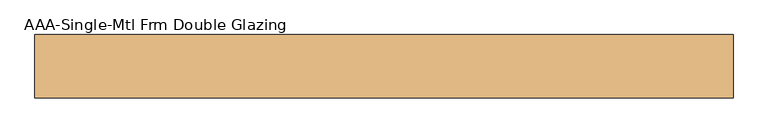
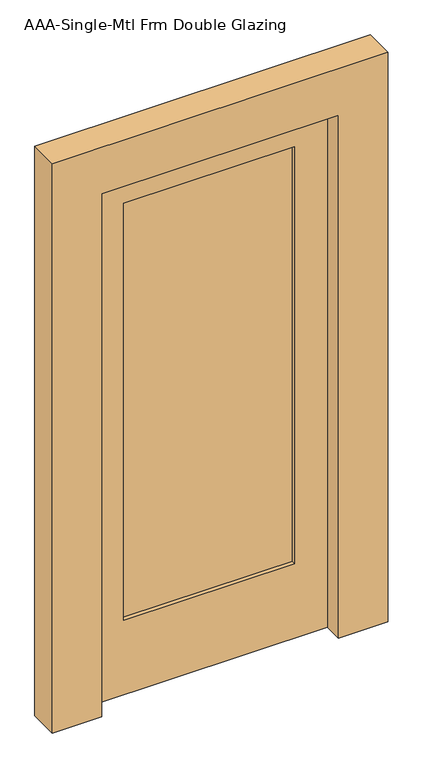
"""IFC4 building model written with IfcOpenShell, lengths in millimetres: door geometry, AAA-Single-Mtl Frm Double Glazing."""

import ifcopenshell
import ifcopenshell.guid

model = None  # the IFC model being written
_history = None  # IfcOwnerHistory: only IFC2X3 demands one
_inside = {}  # id of a spatial element -> (the spatial element, [elements in it])
_under = {}  # id of a project, library or spatial element -> (it, [spatial elements below it])
_declared = {}  # id of a project -> (the project, [libraries it declares])
_typed = {}  # id of a type object -> (the type object, [elements of that type])
_made_of = {}  # id of a material, layer set ... -> (it, [elements and type objects made of it])


def new_model(schema):
    """Start an empty IFC model of exactly this schema.

    Asked for "IFC4X3", IfcOpenShell would pick the latest addendum, in which some entities
    have other attributes; the version numbers below select the first issue.
    IFC2X3 requires an IfcOwnerHistory on every rooted entity: one is made here for all.
    """
    global model, _history
    if schema == "IFC4X3":
        model = ifcopenshell.file(schema_version=(4, 3, 0, 0))
    else:
        model = ifcopenshell.file(schema=schema)
    _inside.clear()
    _under.clear()
    _declared.clear()
    _typed.clear()
    _made_of.clear()
    _history = None
    if model.schema == "IFC2X3":
        org = make("IfcOrganization", Name="unknown")
        user = make(
            "IfcPersonAndOrganization",
            ThePerson=make("IfcPerson", FamilyName="unknown"),
            TheOrganization=org,
        )
        app = make(
            "IfcApplication",
            ApplicationDeveloper=org,
            Version="unknown",
            ApplicationFullName="unknown",
            ApplicationIdentifier="unknown",
        )
        _history = make(
            "IfcOwnerHistory",
            OwningUser=user,
            OwningApplication=app,
            ChangeAction="ADDED",
            CreationDate=0,
        )
    return model


def make(cls, **values):
    """One entity of the class cls with the attributes given. An attribute that is None is left unset."""
    return model.create_entity(
        cls, **{name: value for name, value in values.items() if value is not None}
    )


def rooted(cls, **values):
    """An entity with a GlobalId (a new one), such as an element, a storey or a relation."""
    return make(cls, GlobalId=ifcopenshell.guid.new(), OwnerHistory=_history, **values)


def si_unit(unit_type, name, prefix=None):
    """IfcSIUnit, for example si_unit("LENGTHUNIT", "METRE", prefix="MILLI")."""
    return make("IfcSIUnit", UnitType=unit_type, Prefix=prefix, Name=name)


def assignment(units):
    """IfcUnitAssignment: the units of a project."""
    return None if units is None else make("IfcUnitAssignment", Units=units)


def point(xyz):
    """IfcCartesianPoint."""
    return None if xyz is None else make("IfcCartesianPoint", Coordinates=xyz)


def direction(xyz):
    """IfcDirection."""
    return None if xyz is None else make("IfcDirection", DirectionRatios=xyz)


def frame(location, z_axis=None, x_axis=None):
    """IfcAxis2Placement3D, a coordinate frame: its origin and axes. An axis left out is left unset."""
    return make(
        "IfcAxis2Placement3D",
        Location=point(location),
        Axis=direction(z_axis),
        RefDirection=direction(x_axis),
    )


def origin():
    """The frame at (0, 0, 0) with its axes left unset."""
    return frame((0.0, 0.0, 0.0))


def place(relative_to, where):
    """IfcLocalPlacement: puts the frame where relative to a parent placement (None: the world)."""
    return make(
        "IfcLocalPlacement", PlacementRelTo=relative_to, RelativePlacement=where
    )


def context(
    kind, dimensions, precision=None, world=None, true_north=None, identifier=None
):
    """IfcGeometricRepresentationContext, for example the 3D "Model" context."""
    return make(
        "IfcGeometricRepresentationContext",
        ContextIdentifier=identifier,
        ContextType=kind,
        CoordinateSpaceDimension=dimensions,
        Precision=precision,
        WorldCoordinateSystem=world,
        TrueNorth=true_north,
    )


def project(units=None, contexts=None):
    """IfcProject with its units and contexts."""
    return rooted(
        "IfcProject",
        Name="project",
        RepresentationContexts=contexts,
        UnitsInContext=assignment(units),
    )


def spatial(cls, under=None, at=None, **own):
    """A site, building, storey or space (cls), placed at a placement, below another one or the project."""
    s = rooted(cls, ObjectPlacement=at, **own)
    if under is not None:
        _under.setdefault(under.id(), (under, []))[1].append(s)
    return s


def polyline(points):
    """IfcPolyline through the points."""
    return make("IfcPolyline", Points=[point(p) for p in points])


def outline(outer, holes=None, kind="AREA"):
    """IfcArbitraryClosedProfileDef: a profile drawn as a closed curve; with holes, ...WithVoids."""
    if holes is None:
        return make("IfcArbitraryClosedProfileDef", ProfileType=kind, OuterCurve=outer)
    return make(
        "IfcArbitraryProfileDefWithVoids",
        ProfileType=kind,
        OuterCurve=outer,
        InnerCurves=holes,
    )


def extrude(swept, where, along, depth):
    """IfcExtrudedAreaSolid: the profile swept, set in the frame where, extruded along a direction by depth."""
    return make(
        "IfcExtrudedAreaSolid",
        SweptArea=swept,
        Position=where,
        ExtrudedDirection=direction(along),
        Depth=depth,
    )


def shape(context_of_items, identifier, shape_type, items):
    """IfcShapeRepresentation: the items that make up one representation, for example the "Body"."""
    return make(
        "IfcShapeRepresentation",
        ContextOfItems=context_of_items,
        RepresentationIdentifier=identifier,
        RepresentationType=shape_type,
        Items=items,
    )


def source(mapping_origin, context_of_items, identifier, shape_type, items):
    """IfcRepresentationMap: a shape defined once, which mapped items show again and again."""
    return make(
        "IfcRepresentationMap",
        MappingOrigin=mapping_origin,
        MappedRepresentation=shape(context_of_items, identifier, shape_type, items),
    )


def transform(
    local_origin,
    x_axis=None,
    y_axis=None,
    z_axis=None,
    scale=None,
    scale2=None,
    scale3=None,
    uniform=True,
):
    """IfcCartesianTransformationOperator3D, or its non-uniform kind. x_axis, y_axis, z_axis: its Axis1, 2, 3."""
    if uniform:
        return make(
            "IfcCartesianTransformationOperator3D",
            Axis1=direction(x_axis),
            Axis2=direction(y_axis),
            LocalOrigin=point(local_origin),
            Scale=scale,
            Axis3=direction(z_axis),
        )
    return make(
        "IfcCartesianTransformationOperator3DnonUniform",
        Axis1=direction(x_axis),
        Axis2=direction(y_axis),
        LocalOrigin=point(local_origin),
        Scale=scale,
        Axis3=direction(z_axis),
        Scale2=scale2,
        Scale3=scale3,
    )


def mapped(mapping_source, mapping_target):
    """IfcMappedItem: shows the shape of a source again, moved by a transform."""
    return make(
        "IfcMappedItem", MappingSource=mapping_source, MappingTarget=mapping_target
    )


def made_of(thing, what):
    """Note that an element or type object is made of a material, layer set ...; save() writes the relation."""
    if what is not None:
        _made_of.setdefault(what.id(), (what, []))[1].append(thing)
    return thing


def element(
    cls,
    number,
    at=None,
    inside=None,
    cuts=None,
    type_object=None,
    material=None,
    context=None,
    identifier="Body",
    shape_type=None,
    held_by="IfcProductDefinitionShape",
    body=None,
    shapes=None,
    **own,
):
    """One element of the class cls, such as IfcWall. Its Tag is "e" and its number.

    at: its placement. inside: the storey or other place that contains it. cuts: it is an
    opening in that element (IfcRelVoidsElement). A single representation is given by context,
    identifier, shape_type and body (its items); several are given by shapes. held_by: the class
    of the entity that holds the representations. save() writes the other relations.
    """
    e = rooted(cls, Tag="e%d" % number, ObjectPlacement=at, **own)
    if body is not None:
        shapes = [shape(context, identifier, shape_type, body)]
    if shapes is not None:
        e.Representation = make(held_by, Representations=shapes)
    if inside is not None:
        _inside.setdefault(inside.id(), (inside, []))[1].append(e)
    if cuts is not None:
        rooted(
            "IfcRelVoidsElement", RelatingBuildingElement=cuts, RelatedOpeningElement=e
        )
    if type_object is not None:
        _typed.setdefault(type_object.id(), (type_object, []))[1].append(e)
    return made_of(e, material)


def aggregate(whole, parts):
    """IfcRelAggregates: a whole, such as a stair, and the parts it consists of."""
    return rooted("IfcRelAggregates", RelatingObject=whole, RelatedObjects=parts)


def save(model, path):
    """Write the relations noted so far, then the file.

    IfcRelAggregates (storeys below a building ...), IfcRelContainedInSpatialStructure (elements
    in a storey), IfcRelDefinesByType, IfcRelAssociatesMaterial and IfcRelDeclares: one each for
    every whole, place, type object, material and project.
    """
    for whole, parts in _under.values():
        aggregate(whole, parts)
    for where, things in _inside.values():
        rooted(
            "IfcRelContainedInSpatialStructure",
            RelatedElements=things,
            RelatingStructure=where,
        )
    for kind, things in _typed.values():
        rooted("IfcRelDefinesByType", RelatedObjects=things, RelatingType=kind)
    for what, things in _made_of.values():
        rooted("IfcRelAssociatesMaterial", RelatedObjects=things, RelatingMaterial=what)
    for by, libraries in _declared.values():
        rooted("IfcRelDeclares", RelatingContext=by, RelatedDefinitions=libraries)
    model.write(path)


def aaa_single_mtl_frm_double_glazing_75b79d8a(model_context):
    return source(origin(), model_context, "Body", "SweptSolid", [
        extrude(outline(polyline([(330.2, 30.1625), (-330.2, 30.1625), (-330.2, 42.8625), (330.2, 42.8625), (330.2, 30.1625)])), frame((0.0, 0.0, 304.8), z_axis=(0.0, 0.0, 1.0), x_axis=(1.0, 0.0, 0.0)), (0.0, 0.0, 1.0), 1701.8),
        extrude(outline(polyline([(2133.6, 457.2), (2133.6, -457.2), (0.0, -457.2), (0.0, 457.2), (2133.6, 457.2)]), holes=[polyline([(2006.6, 330.2), (304.8, 330.2), (304.8, -330.2), (2006.6, -330.2), (2006.6, 330.2)])]), frame((0.0, 14.2875, 0.0), z_axis=(0.0, 1.0, 0.0), x_axis=(0.0, 0.0, 1.0)), (0.0, 0.0, 1.0), 44.45),
        extrude(outline(polyline([(2324.1, 647.7), (2324.1, -647.7), (0.0, -647.7), (0.0, -457.2), (2133.6, -457.2), (2133.6, 457.2), (0.0, 457.2), (0.0, 647.7), (2324.1, 647.7)])), frame((0.0, -58.7375, 0.0), z_axis=(0.0, 1.0, 0.0), x_axis=(0.0, 0.0, 1.0)), (0.0, 0.0, 1.0), 117.475),
    ])


if __name__ == "__main__":
    model = new_model("IFC4")
    model_context = context("Model", 3, world=origin())
    ifc_project = project(units=[si_unit("LENGTHUNIT", "METRE", prefix="MILLI")], contexts=[model_context])
    site = spatial("IfcSite", under=ifc_project)
    building = spatial("IfcBuilding", under=site)
    placement = place(None, origin())
    aaa_single_mtl_frm_double_glazing_shape = aaa_single_mtl_frm_double_glazing_75b79d8a(model_context)
    element("IfcDoor", 1, ObjectType="AAA-Single-Mtl Frm Double Glazing", at=placement, inside=building, context=model_context, shape_type="MappedRepresentation", body=[
        mapped(aaa_single_mtl_frm_double_glazing_shape, transform((0.0, 0.0, 0.0), x_axis=(1.0, 0.0, 0.0), y_axis=(0.0, 1.0, 0.0), z_axis=(0.0, 0.0, 1.0))),
    ])
    save(model, "model.ifc")
